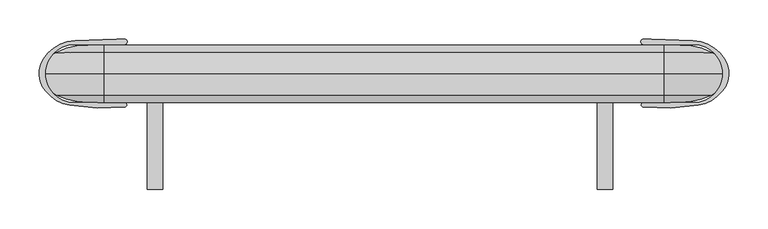
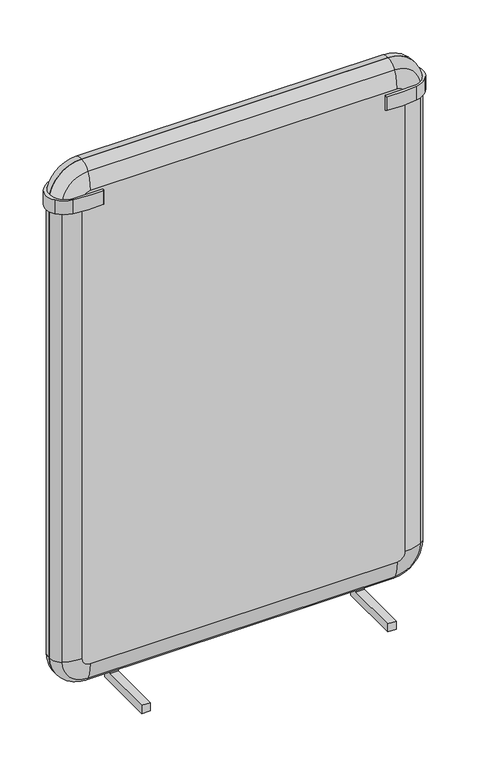
"""IFC4 building model written with IfcOpenShell, lengths in millimetres: furniture geometry."""

from ifc_helpers import new_model, si_unit, point, frame, frame_2d, origin, place, context, project, spatial, polyline, circle_curve, ellipse_curve, trimmed, segment, composite_curve, outline, extrude, source, transform, mapped, element, save
from ifc_brep_helpers import plane_surface, cylinder_surface, revolved_surface, advanced_brep


def furniture_04d5d496(model_context):
    return source(origin(), model_context, "Body", "SolidModel", [
        extrude(outline(polyline([(-147.8381319, 4.7216), (-147.8381319, 24.638), (-18.3622248, 24.638), (-18.3622248, 82.2873449), (1.6377354, 82.2873449), (1.6377354, 4.7216), (-147.8381319, 4.7216)])), frame((703.8561457, 0.0, 0.0), z_axis=(1.0, 0.0, 0.0), x_axis=(0.0, 1.0, 0.0)), (0.0, 0.0, 1.0), 19.9999905),
        extrude(outline(polyline([(-147.8381319, 4.7216), (-147.8381319, 24.638), (-18.3622248, 24.638), (-18.3622248, 82.2873449), (1.6377354, 82.2873449), (1.6377354, 4.7216), (-147.8381319, 4.7216)])), frame((129.6801221, 0.0, 0.0), z_axis=(1.0, 0.0, 0.0), x_axis=(0.0, 1.0, 0.0)), (0.0, 0.0, 1.0), 19.999942),
        extrude(outline(composite_curve([segment(polyline([(827.0249276, 37.3553257), (762.8866885, 37.3553257)]), True, "CONTINUOUS"), segment(trimmed(circle_curve(frame_2d((762.8866885, 40.6726301)), 3.3173043), [point((762.8866885, 37.3553257))], [point((762.6471671, 43.981276))], False, "CARTESIAN"), True, "CONTINUOUS"), segment(trimmed(circle_curve(frame_2d((769.5388734, -51.2177806)), 95.4481848), [point((762.6471671, 43.981276))], [point((772.869967, 44.1722598))], False, "CARTESIAN"), True, "CONTINUOUS"), segment(polyline([(772.869967, 44.1722598), (825.9715192, 42.3179127)]), True, "CONTINUOUS"), segment(trimmed(circle_curve(frame_2d((824.2357176, -7.3889403)), 49.7371515), [point((825.9715192, 42.3179127))], [point((866.6585464, 18.5742615))], False, "CARTESIAN"), True, "CONTINUOUS"), segment(trimmed(circle_curve(frame_2d((836.5854138, 0.1691991)), 35.2581852), [point((866.6585464, 18.5742615))], [point((863.6, -22.488068))], False, "CARTESIAN"), True, "CONTINUOUS"), segment(trimmed(circle_curve(frame_2d((823.7418204, 10.9411844)), 52.0210477), [point((863.6, -22.488068))], [point((832.760022, -40.2922172))], False, "CARTESIAN"), True, "CONTINUOUS"), segment(trimmed(circle_curve(frame_2d((789.049285, 208.0333197)), 252.1432149), [point((832.760022, -40.2922172))], [point((762.8734727, -42.7475162))], False, "CARTESIAN"), True, "CONTINUOUS"), segment(trimmed(circle_curve(frame_2d((763.1807039, -39.8040474)), 2.9594593), [point((762.8734727, -42.7475162))], [point((763.1807039, -36.8445881))], False, "CARTESIAN"), True, "CONTINUOUS"), segment(polyline([(763.1807039, -36.8445881), (827.0249276, -36.8445881)]), True, "CONTINUOUS"), segment(trimmed(circle_curve(frame_2d((827.0249276, 0.2553688)), 37.0999569), [point((827.0249276, -36.8445881))], [point((827.0249276, 37.3553257))], True, "CARTESIAN"), True, "CONTINUOUS")], self_intersect=False)), frame((0.0, 0.0, 1205.751932), z_axis=(0.0, 0.0, 1.0), x_axis=(1.0, 0.0, 0.0)), (0.0, 0.0, 1.0), 34.13125),
        extrude(outline(composite_curve([segment(trimmed(circle_curve(frame_2d((36.5750724, 0.2553688)), 37.0999569), [point((36.5750724, 37.3553257))], [point((36.5750724, -36.8445881))], True, "CARTESIAN"), True, "CONTINUOUS"), segment(polyline([(36.5750724, -36.8445881), (100.4192961, -36.8445881)]), True, "CONTINUOUS"), segment(trimmed(circle_curve(frame_2d((100.4192961, -39.8040474)), 2.9594593), [point((100.4192961, -36.8445881))], [point((100.7265273, -42.7475162))], False, "CARTESIAN"), True, "CONTINUOUS"), segment(trimmed(circle_curve(frame_2d((74.550715, 208.0333197)), 252.1432149), [point((100.7265273, -42.7475162))], [point((30.839978, -40.2922172))], False, "CARTESIAN"), True, "CONTINUOUS"), segment(trimmed(circle_curve(frame_2d((39.8581796, 10.9411844)), 52.0210477), [point((30.839978, -40.2922172))], [point((0.0, -22.488068))], False, "CARTESIAN"), True, "CONTINUOUS"), segment(trimmed(circle_curve(frame_2d((27.0145862, 0.1691991)), 35.2581852), [point((0.0, -22.488068))], [point((-3.0585464, 18.5742615))], False, "CARTESIAN"), True, "CONTINUOUS"), segment(trimmed(circle_curve(frame_2d((39.3642824, -7.3889403)), 49.7371515), [point((-3.0585464, 18.5742615))], [point((37.6284808, 42.3179127))], False, "CARTESIAN"), True, "CONTINUOUS"), segment(polyline([(37.6284808, 42.3179127), (90.730033, 44.1722598)]), True, "CONTINUOUS"), segment(trimmed(circle_curve(frame_2d((94.0611266, -51.2177806)), 95.4481848), [point((90.730033, 44.1722598))], [point((100.9528329, 43.981276))], False, "CARTESIAN"), True, "CONTINUOUS"), segment(trimmed(circle_curve(frame_2d((100.7133115, 40.6726301)), 3.3173043), [point((100.9528329, 43.981276))], [point((100.7133115, 37.3553257))], False, "CARTESIAN"), True, "CONTINUOUS"), segment(polyline([(100.7133115, 37.3553257), (36.5750724, 37.3553257)]), True, "CONTINUOUS")], self_intersect=False)), frame((0.0, 0.0, 1205.751932), z_axis=(0.0, 0.0, 1.0), x_axis=(1.0, 0.0, 0.0)), (0.0, 0.0, 1.0), 34.13125),
        advanced_brep(
        [(54.61, 36.6484858, 1226.312), (74.168, 36.6484858, 1245.87), (789.432, 36.6484858, 1245.87), (808.99, 36.6484858, 1226.312), (808.99, 36.6484858, 98.806), (789.432, 36.6484858, 79.248), (74.168, 36.6484858, 79.248), (54.61, 36.6484858, 98.806), (74.168, 0.0, 1300.48), (0.0, 0.0, 1226.312), (0.0, 0.0, 98.806), (74.168, 0.0, 24.638), (789.432, 0.0, 24.638), (863.6, 0.0, 98.806), (863.6, 0.0, 1226.312), (789.432, 0.0, 1300.48), (74.168, 27.1623455, 1286.9616391), (13.5183609, 27.1623455, 1226.312), (13.5183609, 27.1623455, 98.806), (74.168, 27.1623455, 38.1563609), (789.432, 27.1623455, 38.1563609), (850.0816391, 27.1623455, 98.806), (850.0816391, 27.1623455, 1226.312), (789.432, 27.1623455, 1286.9616391)],
        [
            (0, 1, circle_curve(frame((74.168, 36.6484858, 1226.312), z_axis=(0.0, 1.0, 0.0), x_axis=(0.0, 0.0, 1.0)), 19.558)),
            (1, 2),
            (2, 3, circle_curve(frame((789.432, 36.6484858, 1226.312), z_axis=(0.0, 1.0, 0.0), x_axis=(1.0, 0.0, 0.0)), 19.558)),
            (3, 4),
            (4, 5, circle_curve(frame((789.432, 36.6484858, 98.806), z_axis=(0.0, 1.0, 0.0), x_axis=(0.0, 0.0, -1.0)), 19.558)),
            (5, 6),
            (6, 7, circle_curve(frame((74.168, 36.6484858, 98.806), z_axis=(0.0, 1.0, 0.0), x_axis=(-1.0, 0.0, 0.0)), 19.558)),
            (7, 0),
            (8, 9, circle_curve(frame((74.168, 0.0, 1226.312), z_axis=(0.0, -1.0, 0.0), x_axis=(0.0, 0.0, 1.0)), 74.168)),
            (9, 10),
            (10, 11, circle_curve(frame((74.168, 0.0, 98.806), z_axis=(0.0, -1.0, 0.0), x_axis=(-1.0, 0.0, 0.0)), 74.168)),
            (11, 12),
            (12, 13, circle_curve(frame((789.432, 0.0, 98.806), z_axis=(0.0, -1.0, 0.0), x_axis=(0.0, 0.0, -1.0)), 74.168)),
            (13, 14),
            (14, 15, circle_curve(frame((789.432, 0.0, 1226.312), z_axis=(0.0, -1.0, 0.0), x_axis=(1.0, 0.0, 0.0)), 74.168)),
            (15, 8),
            (8, 16, circle_curve(frame((74.168, 4.7860049, 1276.048752), z_axis=(-1.0, 0.0, 0.0), x_axis=(0.0, 0.0, 1.0)), 24.8956165)),
            (16, 17, circle_curve(frame((74.168, 27.1623455, 1226.312), z_axis=(0.0, -1.0, 0.0), x_axis=(0.0, 0.0, 1.0)), 60.6496391)),
            (17, 9, circle_curve(frame((24.431248, 4.7860049, 1226.312), z_axis=(0.0, 0.0, 1.0), x_axis=(-1.0, 0.0, 0.0)), 24.8956165)),
            (16, 1, circle_curve(frame((74.168, -57.0940481, 1245.87), z_axis=(-1.0, 0.0, 0.0), x_axis=(0.0, 0.0, 1.0)), 93.7425339)),
            (0, 17, circle_curve(frame((54.61, -57.0940481, 1226.312), z_axis=(0.0, 0.0, 1.0), x_axis=(-1.0, 0.0, 0.0)), 93.7425339)),
            (17, 18),
            (18, 10, circle_curve(frame((24.431248, 4.7860049, 98.806), z_axis=(0.0, 0.0, 1.0), x_axis=(-1.0, 0.0, 0.0)), 24.8956165)),
            (7, 18, circle_curve(frame((54.61, -57.0940481, 98.806), z_axis=(0.0, 0.0, 1.0), x_axis=(-1.0, 0.0, 0.0)), 93.7425339)),
            (18, 19, circle_curve(frame((74.168, 27.1623455, 98.806), z_axis=(0.0, -1.0, 0.0), x_axis=(-1.0, 0.0, 0.0)), 60.6496391)),
            (19, 11, circle_curve(frame((74.168, 4.7860049, 49.069248), z_axis=(-1.0, 0.0, 0.0), x_axis=(0.0, 0.0, -1.0)), 24.8956165)),
            (6, 19, circle_curve(frame((74.168, -57.0940481, 79.248), z_axis=(-1.0, 0.0, 0.0), x_axis=(0.0, 0.0, -1.0)), 93.7425339)),
            (19, 20),
            (20, 12, circle_curve(frame((789.432, 4.7860049, 49.069248), z_axis=(-1.0, 0.0, 0.0), x_axis=(0.0, 0.0, -1.0)), 24.8956165)),
            (5, 20, circle_curve(frame((789.432, -57.0940481, 79.248), z_axis=(-1.0, 0.0, 0.0), x_axis=(0.0, 0.0, -1.0)), 93.7425339)),
            (20, 21, circle_curve(frame((789.432, 27.1623455, 98.806), z_axis=(0.0, -1.0, 0.0), x_axis=(0.0, 0.0, -1.0)), 60.6496391)),
            (21, 13, circle_curve(frame((839.168752, 4.7860049, 98.806), z_axis=(0.0, 0.0, -1.0), x_axis=(1.0, 0.0, 0.0)), 24.8956165)),
            (4, 21, circle_curve(frame((808.99, -57.0940481, 98.806), z_axis=(0.0, 0.0, -1.0), x_axis=(1.0, 0.0, 0.0)), 93.7425339)),
            (21, 22),
            (22, 14, circle_curve(frame((839.168752, 4.7860049, 1226.312), z_axis=(0.0, 0.0, -1.0), x_axis=(1.0, 0.0, 0.0)), 24.8956165)),
            (3, 22, circle_curve(frame((808.99, -57.0940481, 1226.312), z_axis=(0.0, 0.0, -1.0), x_axis=(1.0, 0.0, 0.0)), 93.7425339)),
            (22, 23, circle_curve(frame((789.432, 27.1623455, 1226.312), z_axis=(0.0, -1.0, 0.0), x_axis=(1.0, 0.0, 0.0)), 60.6496391)),
            (23, 15, circle_curve(frame((789.432, 4.7860049, 1276.048752), z_axis=(1.0, 0.0, 0.0), x_axis=(0.0, 0.0, 1.0)), 24.8956165)),
            (2, 23, circle_curve(frame((789.432, -57.0940481, 1245.87), z_axis=(1.0, 0.0, 0.0), x_axis=(0.0, 0.0, 1.0)), 93.7425339)),
            (23, 16),
        ],
        [
            plane_surface(frame((789.94, 36.6484858, 98.806), z_axis=(0.0, 1.0, 0.0), x_axis=(0.0, 0.0, -1.0))),
            plane_surface(frame((789.94, 0.0, 98.806), z_axis=(0.0, -1.0, 0.0), x_axis=(0.0, 0.0, 1.0))),
            revolved_surface(trimmed(ellipse_curve(frame((74.168, 4.7860049, 1276.048752), z_axis=(1.0, 0.0, 0.0), x_axis=(0.0, 0.0, 1.0)), 24.8956165, 24.8956165), [point((74.168, 27.1623455, 1286.9616391))], [point((74.168, 0.0, 1300.48))], True, "CARTESIAN"), (74.168, 0.0, 1226.312), (0.0, -1.0, 0.0)),
            revolved_surface(trimmed(ellipse_curve(frame((74.168, -57.0940481, 1245.87), z_axis=(1.0, 0.0, 0.0), x_axis=(0.0, 0.0, 1.0)), 93.7425339, 93.7425339), [point((74.168, 36.6484858, 1245.87))], [point((74.168, 27.1623455, 1286.9616391))], True, "CARTESIAN"), (74.168, 0.0, 1226.312), (0.0, -1.0, 0.0)),
            cylinder_surface(frame((24.431248, 4.7860049, 1226.312), z_axis=(0.0, 0.0, 1.0), x_axis=(-1.0, 0.0, 0.0)), 24.8956165),
            cylinder_surface(frame((54.61, -57.0940481, 1226.312), z_axis=(0.0, 0.0, 1.0), x_axis=(-1.0, 0.0, 0.0)), 93.7425339),
            revolved_surface(trimmed(ellipse_curve(frame((24.431248, 4.7860049, 98.806), z_axis=(0.0, 0.0, 1.0), x_axis=(-1.0, 0.0, 0.0)), 24.8956165, 24.8956165), [point((13.5183609, 27.1623455, 98.806))], [point((0.0, 0.0, 98.806))], True, "CARTESIAN"), (74.168, 0.0, 98.806), (0.0, -1.0, 0.0)),
            revolved_surface(trimmed(ellipse_curve(frame((54.61, -57.0940481, 98.806), z_axis=(0.0, 0.0, 1.0), x_axis=(-1.0, 0.0, 0.0)), 93.7425339, 93.7425339), [point((54.61, 36.6484858, 98.806))], [point((13.5183609, 27.1623455, 98.806))], True, "CARTESIAN"), (74.168, 0.0, 98.806), (0.0, -1.0, 0.0)),
            cylinder_surface(frame((74.168, 4.7860049, 49.069248), z_axis=(-1.0, 0.0, 0.0), x_axis=(0.0, 0.0, -1.0)), 24.8956165),
            cylinder_surface(frame((74.168, -57.0940481, 79.248), z_axis=(-1.0, 0.0, 0.0), x_axis=(0.0, 0.0, -1.0)), 93.7425339),
            revolved_surface(trimmed(ellipse_curve(frame((789.432, 4.7860049, 49.069248), z_axis=(-1.0, 0.0, 0.0), x_axis=(0.0, 0.0, -1.0)), 24.8956165, 24.8956165), [point((789.432, 27.1623455, 38.1563609))], [point((789.432, 0.0, 24.638))], True, "CARTESIAN"), (789.432, 0.0, 98.806), (0.0, -1.0, 0.0)),
            revolved_surface(trimmed(ellipse_curve(frame((789.432, -57.0940481, 79.248), z_axis=(-1.0, 0.0, 0.0), x_axis=(0.0, 0.0, -1.0)), 93.7425339, 93.7425339), [point((789.432, 36.6484858, 79.248))], [point((789.432, 27.1623455, 38.1563609))], True, "CARTESIAN"), (789.432, 0.0, 98.806), (0.0, -1.0, 0.0)),
            cylinder_surface(frame((839.168752, 4.7860049, 98.806), z_axis=(0.0, 0.0, -1.0), x_axis=(1.0, 0.0, 0.0)), 24.8956165),
            cylinder_surface(frame((808.99, -57.0940481, 98.806), z_axis=(0.0, 0.0, -1.0), x_axis=(1.0, 0.0, 0.0)), 93.7425339),
            revolved_surface(trimmed(ellipse_curve(frame((839.168752, 4.7860049, 1226.312), z_axis=(0.0, 0.0, -1.0), x_axis=(1.0, 0.0, 0.0)), 24.8956165, 24.8956165), [point((850.0816391, 27.1623455, 1226.312))], [point((863.6, 0.0, 1226.312))], True, "CARTESIAN"), (789.432, 0.0, 1226.312), (0.0, -1.0, 0.0)),
            revolved_surface(trimmed(ellipse_curve(frame((808.99, -57.0940481, 1226.312), z_axis=(0.0, 0.0, -1.0), x_axis=(1.0, 0.0, 0.0)), 93.7425339, 93.7425339), [point((808.99, 36.6484858, 1226.312))], [point((850.0816391, 27.1623455, 1226.312))], True, "CARTESIAN"), (789.432, 0.0, 1226.312), (0.0, -1.0, 0.0)),
            cylinder_surface(frame((789.432, 4.7860049, 1276.048752), z_axis=(1.0, 0.0, 0.0), x_axis=(0.0, 0.0, 1.0)), 24.8956165),
            cylinder_surface(frame((789.432, -57.0940481, 1245.87), z_axis=(1.0, 0.0, 0.0), x_axis=(0.0, 0.0, 1.0)), 93.7425339),
        ],
        [
            (0, [[1, 2, 3, 4, 5, 6, 7, 8]]),
            (1, [[9, 10, 11, 12, 13, 14, 15, 16]]),
            (2, [[-9, 17, 18, 19]]),
            (3, [[-18, 20, -1, 21]]),
            (4, [[-19, 22, 23, -10]]),
            (5, [[-21, -8, 24, -22]]),
            (6, [[-23, 25, 26, -11]]),
            (7, [[-24, -7, 27, -25]]),
            (8, [[-26, 28, 29, -12]]),
            (9, [[-27, -6, 30, -28]]),
            (10, [[-29, 31, 32, -13]]),
            (11, [[-30, -5, 33, -31]]),
            (12, [[-32, 34, 35, -14]]),
            (13, [[-33, -4, 36, -34]]),
            (14, [[-35, 37, 38, -15]]),
            (15, [[-36, -3, 39, -37]]),
            (16, [[-17, -16, -38, 40]]),
            (17, [[-20, -40, -39, -2]]),
        ],
    ),
        advanced_brep(
        [(13.5183609, -27.1623455, 1226.312), (74.168, -27.1623455, 1286.9616391), (74.168, 0.0, 1300.48), (0.0, 0.0, 1226.312), (54.61, -36.6484858, 1226.312), (74.168, -36.6484858, 1245.87), (0.0, 0.0, 98.806), (13.5183609, -27.1623455, 98.806), (54.61, -36.6484858, 98.806), (74.168, 0.0, 24.638), (74.168, -27.1623455, 38.1563609), (74.168, -36.6484858, 79.248), (789.432, 0.0, 24.638), (789.432, -27.1623455, 38.1563609), (789.432, -36.6484858, 79.248), (863.6, 0.0, 98.806), (850.0816391, -27.1623455, 98.806), (808.99, -36.6484858, 98.806), (863.6, 0.0, 1226.312), (850.0816391, -27.1623455, 1226.312), (808.99, -36.6484858, 1226.312), (789.432, 0.0, 1300.48), (789.432, -27.1623455, 1286.9616391), (789.432, -36.6484858, 1245.87)],
        [
            (0, 1, circle_curve(frame((74.168, -27.1623455, 1226.312), z_axis=(0.0, 1.0, 0.0), x_axis=(0.0, 0.0, 1.0)), 60.6496391)),
            (1, 2, circle_curve(frame((74.168, -4.7860049, 1276.048752), z_axis=(-1.0, 0.0, 0.0), x_axis=(0.0, 0.0, -1.0)), 24.8956165)),
            (2, 3, circle_curve(frame((74.168, 0.0, 1226.312), z_axis=(0.0, -1.0, 0.0), x_axis=(0.0, 0.0, 1.0)), 74.168)),
            (3, 0, circle_curve(frame((24.431248, -4.7860049, 1226.312), z_axis=(0.0, 0.0, 1.0), x_axis=(1.0, 0.0, 0.0)), 24.8956165)),
            (0, 4, circle_curve(frame((54.61, 57.0940481, 1226.312), z_axis=(0.0, 0.0, 1.0), x_axis=(1.0, 0.0, 0.0)), 93.7425339)),
            (4, 5, circle_curve(frame((74.168, -36.6484858, 1226.312), z_axis=(0.0, 1.0, 0.0), x_axis=(0.0, 0.0, 1.0)), 19.558)),
            (5, 1, circle_curve(frame((74.168, 57.0940481, 1245.87), z_axis=(-1.0, 0.0, 0.0), x_axis=(0.0, 0.0, -1.0)), 93.7425339)),
            (3, 6),
            (6, 7, circle_curve(frame((24.431248, -4.7860049, 98.806), z_axis=(0.0, 0.0, 1.0), x_axis=(1.0, 0.0, 0.0)), 24.8956165)),
            (7, 0),
            (7, 8, circle_curve(frame((54.61, 57.0940481, 98.806), z_axis=(0.0, 0.0, 1.0), x_axis=(1.0, 0.0, 0.0)), 93.7425339)),
            (8, 4),
            (6, 9, circle_curve(frame((74.168, 0.0, 98.806), z_axis=(0.0, -1.0, 0.0), x_axis=(-1.0, 0.0, 0.0)), 74.168)),
            (9, 10, circle_curve(frame((74.168, -4.7860049, 49.069248), z_axis=(-1.0, 0.0, 0.0), x_axis=(0.0, 0.0, 1.0)), 24.8956165)),
            (10, 7, circle_curve(frame((74.168, -27.1623455, 98.806), z_axis=(0.0, 1.0, 0.0), x_axis=(-1.0, 0.0, 0.0)), 60.6496391)),
            (10, 11, circle_curve(frame((74.168, 57.0940481, 79.248), z_axis=(-1.0, 0.0, 0.0), x_axis=(0.0, 0.0, 1.0)), 93.7425339)),
            (11, 8, circle_curve(frame((74.168, -36.6484858, 98.806), z_axis=(0.0, 1.0, 0.0), x_axis=(-1.0, 0.0, 0.0)), 19.558)),
            (9, 12),
            (12, 13, circle_curve(frame((789.432, -4.7860049, 49.069248), z_axis=(-1.0, 0.0, 0.0), x_axis=(0.0, 0.0, 1.0)), 24.8956165)),
            (13, 10),
            (13, 14, circle_curve(frame((789.432, 57.0940481, 79.248), z_axis=(-1.0, 0.0, 0.0), x_axis=(0.0, 0.0, 1.0)), 93.7425339)),
            (14, 11),
            (12, 15, circle_curve(frame((789.432, 0.0, 98.806), z_axis=(0.0, -1.0, 0.0), x_axis=(0.0, 0.0, -1.0)), 74.168)),
            (15, 16, circle_curve(frame((839.168752, -4.7860049, 98.806), z_axis=(0.0, 0.0, -1.0), x_axis=(-1.0, 0.0, 0.0)), 24.8956165)),
            (16, 13, circle_curve(frame((789.432, -27.1623455, 98.806), z_axis=(0.0, 1.0, 0.0), x_axis=(0.0, 0.0, -1.0)), 60.6496391)),
            (16, 17, circle_curve(frame((808.99, 57.0940481, 98.806), z_axis=(0.0, 0.0, -1.0), x_axis=(-1.0, 0.0, 0.0)), 93.7425339)),
            (17, 14, circle_curve(frame((789.432, -36.6484858, 98.806), z_axis=(0.0, 1.0, 0.0), x_axis=(0.0, 0.0, -1.0)), 19.558)),
            (15, 18),
            (18, 19, circle_curve(frame((839.168752, -4.7860049, 1226.312), z_axis=(0.0, 0.0, -1.0), x_axis=(-1.0, 0.0, 0.0)), 24.8956165)),
            (19, 16),
            (19, 20, circle_curve(frame((808.99, 57.0940481, 1226.312), z_axis=(0.0, 0.0, -1.0), x_axis=(-1.0, 0.0, 0.0)), 93.7425339)),
            (20, 17),
            (18, 21, circle_curve(frame((789.432, 0.0, 1226.312), z_axis=(0.0, -1.0, 0.0), x_axis=(1.0, 0.0, 0.0)), 74.168)),
            (21, 22, circle_curve(frame((789.432, -4.7860049, 1276.048752), z_axis=(1.0, 0.0, 0.0), x_axis=(0.0, 0.0, -1.0)), 24.8956165)),
            (22, 19, circle_curve(frame((789.432, -27.1623455, 1226.312), z_axis=(0.0, 1.0, 0.0), x_axis=(1.0, 0.0, 0.0)), 60.6496391)),
            (22, 23, circle_curve(frame((789.432, 57.0940481, 1245.87), z_axis=(1.0, 0.0, 0.0), x_axis=(0.0, 0.0, -1.0)), 93.7425339)),
            (23, 20, circle_curve(frame((789.432, -36.6484858, 1226.312), z_axis=(0.0, 1.0, 0.0), x_axis=(1.0, 0.0, 0.0)), 19.558)),
            (2, 21),
            (1, 22),
            (5, 23),
        ],
        [
            revolved_surface(trimmed(ellipse_curve(frame((74.168, -4.7860049, 1276.048752), z_axis=(1.0, 0.0, 0.0), x_axis=(0.0, 0.0, -1.0)), 24.8956165, 24.8956165), [point((74.168, 0.0, 1300.48))], [point((74.168, -27.1623455, 1286.9616391))], True, "CARTESIAN"), (74.168, 0.0, 1226.312), (0.0, -1.0, 0.0)),
            revolved_surface(trimmed(ellipse_curve(frame((74.168, 57.0940481, 1245.87), z_axis=(1.0, 0.0, 0.0), x_axis=(0.0, 0.0, -1.0)), 93.7425339, 93.7425339), [point((74.168, -27.1623455, 1286.9616391))], [point((74.168, -36.6484858, 1245.87))], True, "CARTESIAN"), (74.168, 0.0, 1226.312), (0.0, -1.0, 0.0)),
            cylinder_surface(frame((24.431248, -4.7860049, 1226.312), z_axis=(0.0, 0.0, 1.0), x_axis=(1.0, 0.0, 0.0)), 24.8956165),
            cylinder_surface(frame((54.61, 57.0940481, 1226.312), z_axis=(0.0, 0.0, 1.0), x_axis=(1.0, 0.0, 0.0)), 93.7425339),
            revolved_surface(trimmed(ellipse_curve(frame((24.431248, -4.7860049, 98.806), z_axis=(0.0, 0.0, 1.0), x_axis=(1.0, 0.0, 0.0)), 24.8956165, 24.8956165), [point((0.0, 0.0, 98.806))], [point((13.5183609, -27.1623455, 98.806))], True, "CARTESIAN"), (74.168, 0.0, 98.806), (0.0, -1.0, 0.0)),
            revolved_surface(trimmed(ellipse_curve(frame((54.61, 57.0940481, 98.806), z_axis=(0.0, 0.0, 1.0), x_axis=(1.0, 0.0, 0.0)), 93.7425339, 93.7425339), [point((13.5183609, -27.1623455, 98.806))], [point((54.61, -36.6484858, 98.806))], True, "CARTESIAN"), (74.168, 0.0, 98.806), (0.0, -1.0, 0.0)),
            cylinder_surface(frame((74.168, -4.7860049, 49.069248), z_axis=(-1.0, 0.0, 0.0), x_axis=(0.0, 0.0, 1.0)), 24.8956165),
            cylinder_surface(frame((74.168, 57.0940481, 79.248), z_axis=(-1.0, 0.0, 0.0), x_axis=(0.0, 0.0, 1.0)), 93.7425339),
            revolved_surface(trimmed(ellipse_curve(frame((789.432, -4.7860049, 49.069248), z_axis=(-1.0, 0.0, 0.0), x_axis=(0.0, 0.0, 1.0)), 24.8956165, 24.8956165), [point((789.432, 0.0, 24.638))], [point((789.432, -27.1623455, 38.1563609))], True, "CARTESIAN"), (789.432, 0.0, 98.806), (0.0, -1.0, 0.0)),
            revolved_surface(trimmed(ellipse_curve(frame((789.432, 57.0940481, 79.248), z_axis=(-1.0, 0.0, 0.0), x_axis=(0.0, 0.0, 1.0)), 93.7425339, 93.7425339), [point((789.432, -27.1623455, 38.1563609))], [point((789.432, -36.6484858, 79.248))], True, "CARTESIAN"), (789.432, 0.0, 98.806), (0.0, -1.0, 0.0)),
            cylinder_surface(frame((839.168752, -4.7860049, 98.806), z_axis=(0.0, 0.0, -1.0), x_axis=(-1.0, 0.0, 0.0)), 24.8956165),
            cylinder_surface(frame((808.99, 57.0940481, 98.806), z_axis=(0.0, 0.0, -1.0), x_axis=(-1.0, 0.0, 0.0)), 93.7425339),
            revolved_surface(trimmed(ellipse_curve(frame((839.168752, -4.7860049, 1226.312), z_axis=(0.0, 0.0, -1.0), x_axis=(-1.0, 0.0, 0.0)), 24.8956165, 24.8956165), [point((863.6, 0.0, 1226.312))], [point((850.0816391, -27.1623455, 1226.312))], True, "CARTESIAN"), (789.432, 0.0, 1226.312), (0.0, -1.0, 0.0)),
            revolved_surface(trimmed(ellipse_curve(frame((808.99, 57.0940481, 1226.312), z_axis=(0.0, 0.0, -1.0), x_axis=(-1.0, 0.0, 0.0)), 93.7425339, 93.7425339), [point((850.0816391, -27.1623455, 1226.312))], [point((808.99, -36.6484858, 1226.312))], True, "CARTESIAN"), (789.432, 0.0, 1226.312), (0.0, -1.0, 0.0)),
            plane_surface(frame((789.432, 0.0, 1226.82), z_axis=(0.0, 1.0, 0.0), x_axis=(-1.0, 0.0, 0.0))),
            cylinder_surface(frame((789.432, -4.7860049, 1276.048752), z_axis=(1.0, 0.0, 0.0), x_axis=(0.0, 0.0, -1.0)), 24.8956165),
            cylinder_surface(frame((789.432, 57.0940481, 1245.87), z_axis=(1.0, 0.0, 0.0), x_axis=(0.0, 0.0, -1.0)), 93.7425339),
            plane_surface(frame((789.432, -36.6484858, 1245.87), z_axis=(0.0, -1.0, 0.0), x_axis=(-1.0, 0.0, 0.0))),
        ],
        [
            (0, [[1, 2, 3, 4]]),
            (1, [[-1, 5, 6, 7]]),
            (2, [[-4, 8, 9, 10]]),
            (3, [[-5, -10, 11, 12]]),
            (4, [[-9, 13, 14, 15]]),
            (5, [[-11, -15, 16, 17]]),
            (6, [[-14, 18, 19, 20]]),
            (7, [[-16, -20, 21, 22]]),
            (8, [[-19, 23, 24, 25]]),
            (9, [[-21, -25, 26, 27]]),
            (10, [[-24, 28, 29, 30]]),
            (11, [[-26, -30, 31, 32]]),
            (12, [[-29, 33, 34, 35]]),
            (13, [[-31, -35, 36, 37]]),
            (14, [[-3, 38, -33, -28, -23, -18, -13, -8]]),
            (15, [[-2, 39, -34, -38]]),
            (16, [[-7, 40, -36, -39]]),
            (17, [[-6, -12, -17, -22, -27, -32, -37, -40]]),
        ],
    ),
    ])


if __name__ == "__main__":
    model = new_model("IFC4")
    model_context = context("Model", 3, world=origin())
    ifc_project = project(units=[si_unit("LENGTHUNIT", "METRE", prefix="MILLI")], contexts=[model_context])
    site = spatial("IfcSite", under=ifc_project)
    building = spatial("IfcBuilding", under=site)
    placement = place(None, origin())
    furniture_shape = furniture_04d5d496(model_context)
    element("IfcFurniture", 1, at=placement, inside=building, context=model_context, shape_type="MappedRepresentation", body=[
        mapped(furniture_shape, transform((0.0, 0.0, 0.0), x_axis=(1.0, 0.0, 0.0), y_axis=(0.0, 1.0, 0.0), z_axis=(0.0, 0.0, 1.0))),
    ])
    save(model, "model.ifc")
